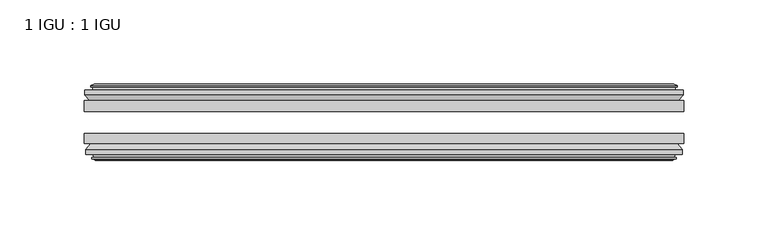
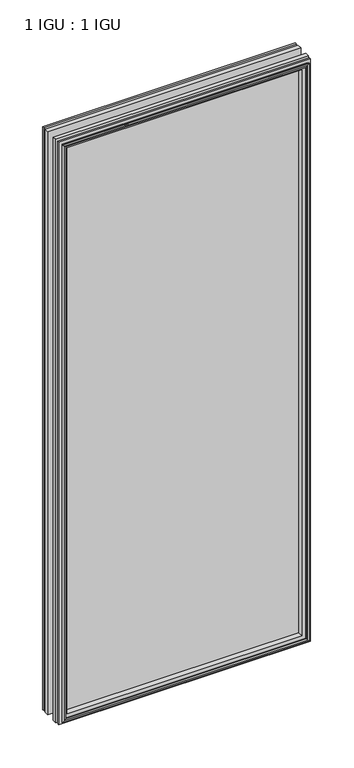
"""IFC4 building model written with IfcOpenShell, lengths in millimetres: plate geometry, 1 IGU : 1 IGU."""

from ifc_helpers import new_model, si_unit, frame, origin, place, context, project, spatial, polyline, outline, extrude, faceted_brep, source, transform, mapped, element, save


def plate_1_igu_1_igu_7e9d3972(model_context):
    return source(origin(), model_context, "Body", "SolidModel", [
        extrude(outline(polyline([(177.2841883, -19.5460937), (177.2841883, -25.8960938), (-177.2841883, -25.8960938), (-177.2841883, -19.5460937), (177.2841883, -19.5460937)])), frame((0.0, 0.0, -12.7), z_axis=(0.0, 0.0, 1.0), x_axis=(1.0, 0.0, 0.0)), (0.0, 0.0, 1.0), 863.6),
        extrude(outline(polyline([(-177.2841883, -44.9460938), (-177.2841883, -38.9186737), (177.2841883, -38.9186737), (177.2841883, -44.9460938), (-177.2841883, -44.9460938)])), frame((0.0, 0.0, -12.7), z_axis=(0.0, 0.0, 1.0), x_axis=(1.0, 0.0, 0.0)), (0.0, 0.0, 1.0), 863.6),
        faceted_brep([(-171.6961883, -53.6762907, 845.312), (-172.0771883, -51.2960937, 845.693), (-172.0771883, -51.2960937, -7.493), (-171.6961883, -53.6762907, -7.112), (-173.1117174, -53.2163575, 846.7275291), (-173.1117174, -53.2163575, -8.5275291), (-173.1117174, -54.0175717, 846.7275291), (-173.1117174, -54.0175717, -8.5275291), (-170.9341883, -54.7250937, 844.55), (-170.9341883, -54.7250937, -6.35), (-168.7566593, -54.0175717, 842.3724709), (-168.7566593, -54.0175717, -4.1724709), (-168.7566593, -53.2163575, 842.3724709), (-168.7566593, -53.2163575, -4.1724709), (-170.1721883, -53.6762907, 843.788), (-170.1721883, -53.6762907, -5.588), (-169.7911883, -51.2960937, 843.407), (-169.7911883, -51.2960937, -5.207), (-162.8664703, -44.9460937, 836.4822819), (-164.5841883, -51.2960937, 838.2), (-164.5841883, -51.2960937, 0.0), (-162.8664703, -44.9460937, 1.7177181), (-176.5221883, -48.3496937, 850.138), (-173.6878462, -44.9460937, 847.3036578), (-173.6878462, -44.9460937, -9.1036578), (-176.5221883, -48.3496937, -11.938), (-176.5221883, -51.2960937, 850.138), (-176.5221883, -51.2960937, -11.938), (172.0771883, -51.2960938, -7.493), (171.6961883, -53.6762907, -7.112), (173.1117174, -53.2163575, -8.5275291), (173.1117174, -54.0175717, -8.5275291), (170.9341883, -54.7250937, -6.35), (168.7566593, -54.0175717, -4.1724709), (168.7566593, -53.2163575, -4.1724709), (170.1721883, -53.6762907, -5.588), (169.7911883, -51.2960937, -5.207), (164.5841883, -51.2960937, 0.0), (162.8664703, -44.9460937, 1.7177181), (173.6878462, -44.9460937, -9.1036578), (176.5221883, -48.3496937, -11.938), (176.5221883, -51.2960938, -11.938), (172.0771883, -51.2960938, 845.693), (171.6961883, -53.6762907, 845.312), (173.1117174, -53.2163575, 846.7275291), (173.1117174, -54.0175717, 846.7275291), (170.9341883, -54.7250937, 844.55), (168.7566593, -54.0175717, 842.3724709), (168.7566593, -53.2163575, 842.3724709), (170.1721883, -53.6762907, 843.788), (169.7911883, -51.2960937, 843.407), (164.5841883, -51.2960937, 838.2), (162.8664703, -44.9460937, 836.4822819), (173.6878462, -44.9460937, 847.3036578), (176.5221883, -48.3496937, 850.138), (176.5221883, -51.2960938, 850.138)], [[[0, 1, 2, 3]], [[4, 0, 3, 5]], [[6, 4, 5, 7]], [[8, 6, 7, 9]], [[10, 8, 9, 11]], [[12, 10, 11, 13]], [[14, 12, 13, 15]], [[16, 14, 15, 17]], [[18, 19, 20, 21]], [[22, 23, 24, 25]], [[26, 22, 25, 27]], [[3, 2, 28, 29]], [[5, 3, 29, 30]], [[7, 5, 30, 31]], [[9, 7, 31, 32]], [[11, 9, 32, 33]], [[13, 11, 33, 34]], [[15, 13, 34, 35]], [[17, 15, 35, 36]], [[21, 20, 37, 38]], [[25, 24, 39, 40]], [[27, 25, 40, 41]], [[29, 28, 42, 43]], [[30, 29, 43, 44]], [[31, 30, 44, 45]], [[32, 31, 45, 46]], [[33, 32, 46, 47]], [[34, 33, 47, 48]], [[35, 34, 48, 49]], [[36, 35, 49, 50]], [[38, 37, 51, 52]], [[40, 39, 53, 54]], [[41, 40, 54, 55]], [[27, 41, 55, 26], [1, 42, 28, 2]], [[43, 42, 1, 0]], [[44, 43, 0, 4]], [[45, 44, 4, 6]], [[46, 45, 6, 8]], [[47, 46, 8, 10]], [[48, 47, 10, 12]], [[49, 48, 12, 14]], [[50, 49, 14, 16]], [[17, 36, 50, 16], [19, 51, 37, 20]], [[52, 51, 19, 18]], [[23, 53, 39, 24], [21, 38, 52, 18]], [[54, 53, 23, 22]], [[55, 54, 22, 26]]]),
        faceted_brep([(-174.2085462, -19.5460937, 847.8243578), (-177.0428883, -16.1424937, 850.6587), (-177.0428883, -16.1424937, -12.4587), (-174.2085462, -19.5460937, -9.6243578), (-165.1048883, -13.1960937, 838.7207), (-163.3871703, -19.5460937, 837.0029819), (-163.3871703, -19.5460937, 1.1970181), (-165.1048883, -13.1960937, -0.5207), (-170.6928883, -10.8158968, 844.3087), (-170.3118883, -13.1960937, 843.9277), (-170.3118883, -13.1960937, -5.7277), (-170.6928883, -10.8158968, -6.1087), (-169.2773593, -11.27583, 842.8931709), (-169.2773593, -11.27583, -4.6931709), (-169.2773593, -10.4746158, 842.8931709), (-169.2773593, -10.4746158, -4.6931709), (-171.4548883, -9.7670937, 845.0707), (-171.4548883, -9.7670937, -6.8707), (-173.6324174, -10.4746158, 847.2482291), (-173.6324174, -10.4746158, -9.0482291), (-173.6324174, -11.27583, 847.2482291), (-173.6324174, -11.27583, -9.0482291), (-172.2168883, -10.8158968, 845.8327), (-172.2168883, -10.8158968, -7.6327), (-172.5978883, -13.1960937, 846.2137), (-172.5978883, -13.1960937, -8.0137), (-177.0428883, -13.1960937, 850.6587), (-177.0428883, -13.1960937, -12.4587), (177.0428883, -16.1424937, -12.4587), (174.2085462, -19.5460937, -9.6243578), (163.3871703, -19.5460937, 1.1970181), (165.1048883, -13.1960937, -0.5207), (170.3118883, -13.1960937, -5.7277), (170.6928883, -10.8158968, -6.1087), (169.2773593, -11.27583, -4.6931709), (169.2773593, -10.4746158, -4.6931709), (171.4548883, -9.7670937, -6.8707), (173.6324174, -10.4746158, -9.0482291), (173.6324174, -11.27583, -9.0482291), (172.2168883, -10.8158968, -7.6327), (172.5978883, -13.1960937, -8.0137), (177.0428883, -13.1960937, -12.4587), (177.0428883, -16.1424937, 850.6587), (174.2085462, -19.5460937, 847.8243578), (163.3871703, -19.5460937, 837.0029819), (165.1048883, -13.1960937, 838.7207), (170.3118883, -13.1960937, 843.9277), (170.6928883, -10.8158968, 844.3087), (169.2773593, -11.27583, 842.8931709), (169.2773593, -10.4746158, 842.8931709), (171.4548883, -9.7670937, 845.0707), (173.6324174, -10.4746158, 847.2482291), (173.6324174, -11.27583, 847.2482291), (172.2168883, -10.8158968, 845.8327), (172.5978883, -13.1960937, 846.2137), (177.0428883, -13.1960937, 850.6587)], [[[0, 1, 2, 3]], [[4, 5, 6, 7]], [[8, 9, 10, 11]], [[12, 8, 11, 13]], [[14, 12, 13, 15]], [[16, 14, 15, 17]], [[18, 16, 17, 19]], [[20, 18, 19, 21]], [[22, 20, 21, 23]], [[24, 22, 23, 25]], [[1, 26, 27, 2]], [[3, 2, 28, 29]], [[7, 6, 30, 31]], [[11, 10, 32, 33]], [[13, 11, 33, 34]], [[15, 13, 34, 35]], [[17, 15, 35, 36]], [[19, 17, 36, 37]], [[21, 19, 37, 38]], [[23, 21, 38, 39]], [[25, 23, 39, 40]], [[2, 27, 41, 28]], [[29, 28, 42, 43]], [[31, 30, 44, 45]], [[33, 32, 46, 47]], [[34, 33, 47, 48]], [[35, 34, 48, 49]], [[36, 35, 49, 50]], [[37, 36, 50, 51]], [[38, 37, 51, 52]], [[39, 38, 52, 53]], [[40, 39, 53, 54]], [[28, 41, 55, 42]], [[43, 42, 1, 0]], [[3, 29, 43, 0], [5, 44, 30, 6]], [[45, 44, 5, 4]], [[9, 46, 32, 10], [7, 31, 45, 4]], [[47, 46, 9, 8]], [[48, 47, 8, 12]], [[49, 48, 12, 14]], [[50, 49, 14, 16]], [[51, 50, 16, 18]], [[52, 51, 18, 20]], [[53, 52, 20, 22]], [[54, 53, 22, 24]], [[26, 55, 41, 27], [25, 40, 54, 24]], [[42, 55, 26, 1]]]),
    ])


if __name__ == "__main__":
    model = new_model("IFC4")
    model_context = context("Model", 3, world=origin())
    ifc_project = project(units=[si_unit("LENGTHUNIT", "METRE", prefix="MILLI")], contexts=[model_context])
    site = spatial("IfcSite", under=ifc_project)
    building = spatial("IfcBuilding", under=site)
    placement = place(None, origin())
    plate_1_igu_1_igu_shape = plate_1_igu_1_igu_7e9d3972(model_context)
    element("IfcPlate", 1, ObjectType="1 IGU : 1 IGU", at=placement, inside=building, context=model_context, shape_type="MappedRepresentation", body=[
        mapped(plate_1_igu_1_igu_shape, transform((0.0, 0.0, 0.0), x_axis=(1.0, 0.0, 0.0), y_axis=(0.0, 1.0, 0.0), z_axis=(0.0, 0.0, 1.0))),
    ])
    save(model, "model.ifc")
